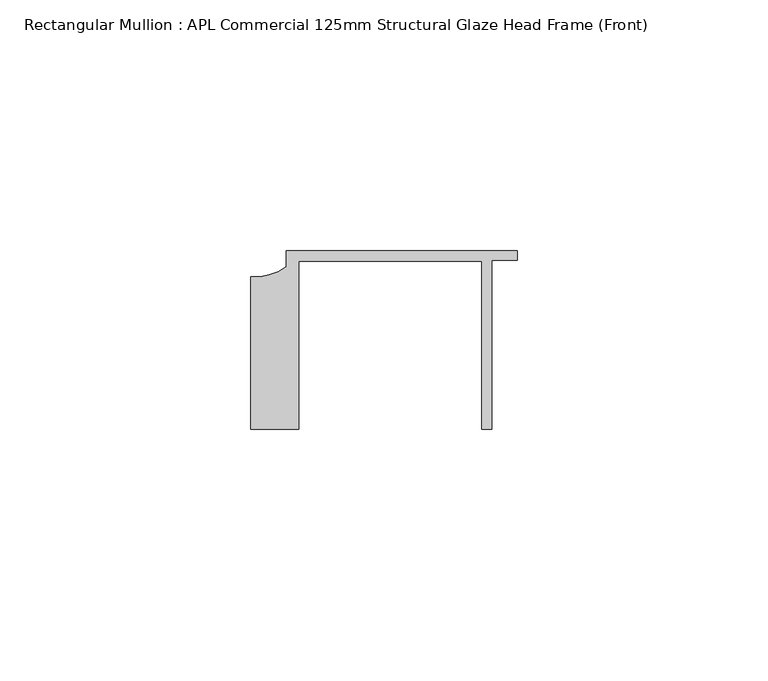
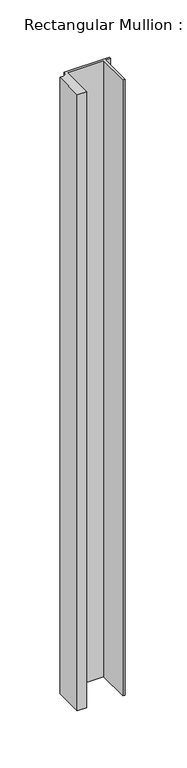
"""IFC4 building model written with IfcOpenShell, lengths in millimetres: member geometry, Rectangular Mullion : APL Commercial 125mm Structural Glaze Head Frame (Front)."""

from ifc_helpers import new_model, si_unit, point, frame, frame_2d, origin, place, context, project, spatial, polyline, circle_curve, trimmed, segment, composite_curve, outline, extrude, source, transform, mapped, element, save


def rectangular_mullion_apl_commercial_125mm_structural_glaze_4b2c522f(model_context):
    return source(origin(), model_context, "Body", "SweptSolid", [
        extrude(outline(composite_curve([segment(polyline([(-52.9999542, -15.0), (-52.9999542, 15.3798304)]), True, "CONTINUOUS"), segment(trimmed(circle_curve(frame_2d((-52.109817, 25.7982641)), 10.4563907), [point((-52.9999542, 15.3798304))], [point((-45.9999994, 17.3126154))], True, "CARTESIAN"), True, "CONTINUOUS"), segment(polyline([(-45.9999994, 17.3126154), (-45.9999994, 20.5002486), (0.0, 20.5002486), (0.0, 18.7002486), (-5.0, 18.7002486), (-5.0, -15.0), (-7.0, -15.0), (-7.0, 18.5002486), (-43.5000151, 18.5002486), (-43.5000151, -15.0), (-52.9999542, -15.0)]), True, "CONTINUOUS")], self_intersect=False)), frame((0.0, 0.0, -657.5132883), z_axis=(0.0, 0.0, 1.0), x_axis=(1.0, 0.0, 0.0)), (0.0, 0.0, 1.0), 657.5132883),
    ])


if __name__ == "__main__":
    model = new_model("IFC4")
    model_context = context("Model", 3, world=origin())
    ifc_project = project(units=[si_unit("LENGTHUNIT", "METRE", prefix="MILLI")], contexts=[model_context])
    site = spatial("IfcSite", under=ifc_project)
    building = spatial("IfcBuilding", under=site)
    placement = place(None, origin())
    rectangular_mullion_apl_commercial_125mm_structural_glaze_shape = rectangular_mullion_apl_commercial_125mm_structural_glaze_4b2c522f(model_context)
    element("IfcMember", 1, ObjectType="Rectangular Mullion : APL Commercial 125mm Structural Glaze Head Frame (Front)", at=placement, inside=building, context=model_context, shape_type="MappedRepresentation", body=[
        mapped(rectangular_mullion_apl_commercial_125mm_structural_glaze_shape, transform((0.0, 0.0, 0.0), x_axis=(1.0, 0.0, 0.0), y_axis=(0.0, 1.0, 0.0), z_axis=(0.0, 0.0, 1.0))),
    ])
    save(model, "model.ifc")
